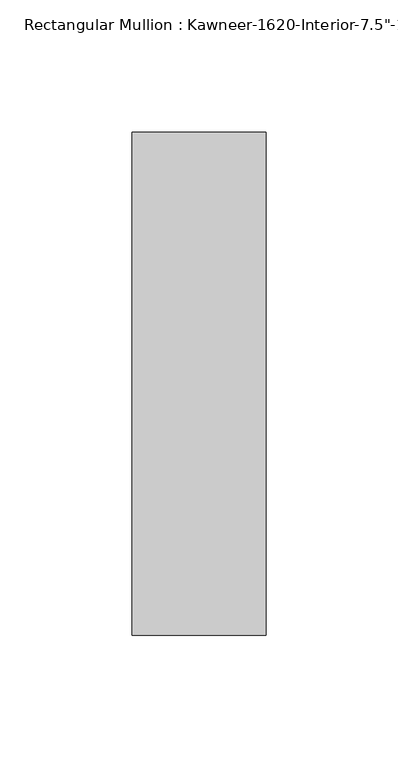
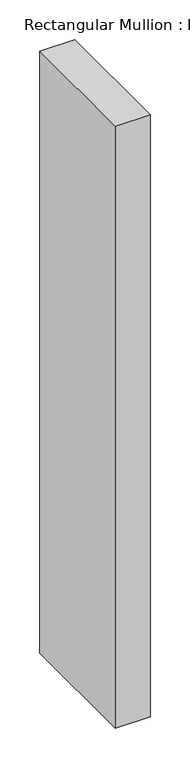
"""IFC4 building model written with IfcOpenShell, lengths in millimetres: member geometry."""

from ifc_helpers import new_model, si_unit, frame, origin, place, context, project, spatial, polyline, outline, extrude, source, transform, mapped, element, save


def member_c3ecacc3(model_context):
    return source(origin(), model_context, "Body", "SweptSolid", [
        extrude(outline(polyline([(25.4, 161.925), (25.4, -28.575), (-25.4, -28.575), (-25.4, 161.925), (25.4, 161.925)])), frame((0.0, 0.0, -927.1), z_axis=(0.0, 0.0, 1.0), x_axis=(1.0, 0.0, 0.0)), (0.0, 0.0, 1.0), 927.1),
    ])


if __name__ == "__main__":
    model = new_model("IFC4")
    model_context = context("Model", 3, world=origin())
    ifc_project = project(units=[si_unit("LENGTHUNIT", "METRE", prefix="MILLI")], contexts=[model_context])
    site = spatial("IfcSite", under=ifc_project)
    building = spatial("IfcBuilding", under=site)
    placement = place(None, origin())
    member_shape = member_c3ecacc3(model_context)
    element("IfcMember", 1, ObjectType="Rectangular Mullion : Kawneer-1620-Interior-7.5\"-1/4\"Infill", at=placement, inside=building, context=model_context, shape_type="MappedRepresentation", body=[
        mapped(member_shape, transform((0.0, 0.0, 0.0), x_axis=(1.0, 0.0, 0.0), y_axis=(0.0, 1.0, 0.0), z_axis=(0.0, 0.0, 1.0))),
    ])
    save(model, "model.ifc")
